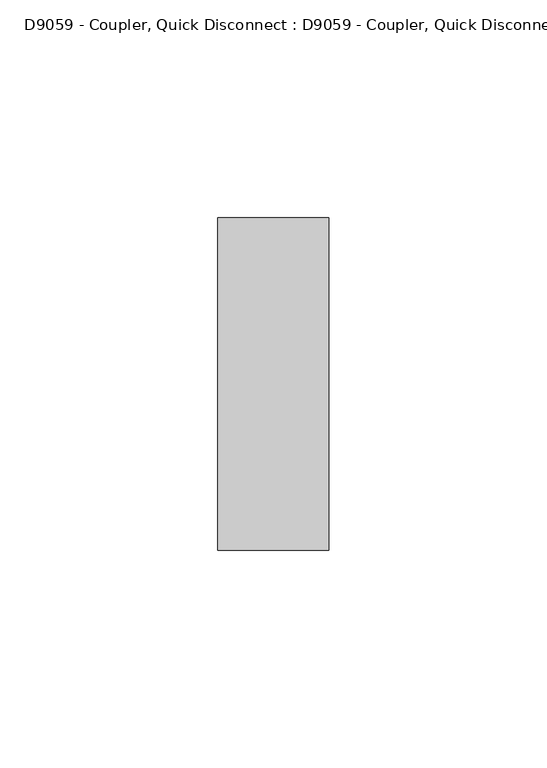
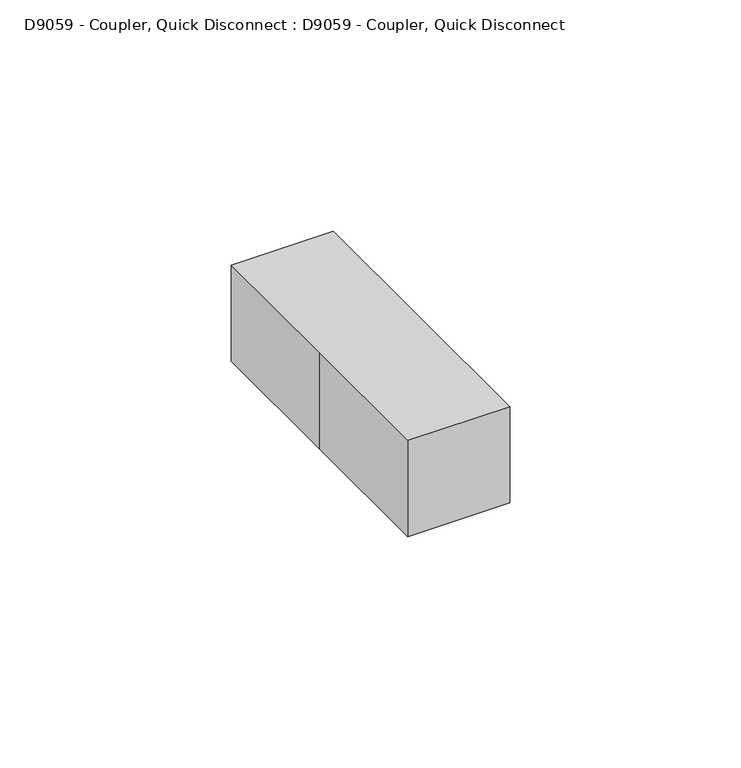
"""IFC4 building model written with IfcOpenShell, lengths in millimetres: proxy geometry, D9059 - Coupler, Quick Disconnect : D9059 - Coupler, Quick Disconnect."""

from ifc_helpers import new_model, si_unit, origin, origin_with_axes, place, context, project, spatial, polyline, outline, extrude, source, transform, mapped, element, save


def d9059_coupler_quick_disconnect_d9059_coupler_quick_9c2b0d3a(model_context):
    return source(origin(), model_context, "Body", "SweptSolid", [
        extrude(outline(polyline([(9.8843685, -34.6812662), (-9.1656315, -34.6812662), (-9.1656315, 35.1687338), (9.8843685, 35.1687338), (9.8843685, -34.6812662)])), origin_with_axes(), (0.0, 0.0, 1.0), 19.05),
        extrude(outline(polyline([(-12.7, -38.1), (-12.7, 0.0), (-12.7, 38.1), (12.7, 38.1), (12.7, -38.1), (-12.7, -38.1)])), origin_with_axes(), (0.0, 0.0, 1.0), 25.4),
    ])


if __name__ == "__main__":
    model = new_model("IFC4")
    model_context = context("Model", 3, world=origin())
    ifc_project = project(units=[si_unit("LENGTHUNIT", "METRE", prefix="MILLI")], contexts=[model_context])
    site = spatial("IfcSite", under=ifc_project)
    building = spatial("IfcBuilding", under=site)
    placement = place(None, origin())
    d9059_coupler_quick_disconnect_d9059_coupler_quick_shape = d9059_coupler_quick_disconnect_d9059_coupler_quick_9c2b0d3a(model_context)
    element("IfcBuildingElementProxy", 1, Name="D9059 - Coupler, Quick Disconnect : D9059 - Coupler, Quick Disconnect", ObjectType="D9059 - Coupler, Quick Disconnect : D9059 - Coupler, Quick Disconnect", at=placement, inside=building, context=model_context, shape_type="MappedRepresentation", body=[
        mapped(d9059_coupler_quick_disconnect_d9059_coupler_quick_shape, transform((0.0, 0.0, 0.0), x_axis=(1.0, 0.0, 0.0), y_axis=(0.0, 1.0, 0.0), z_axis=(0.0, 0.0, 1.0))),
    ])
    save(model, "model.ifc")
